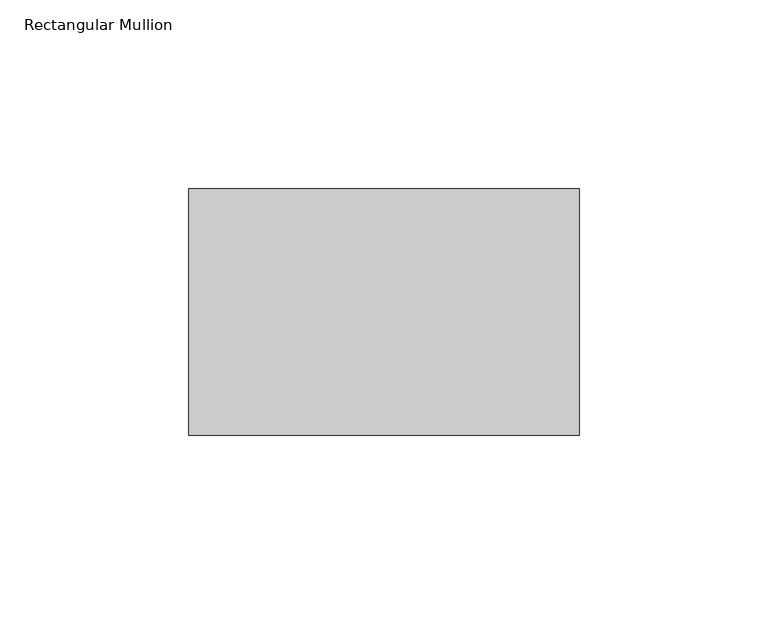
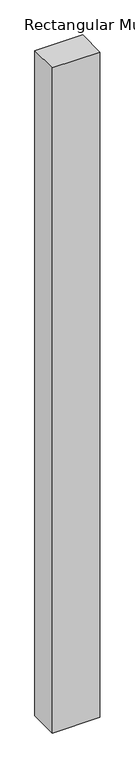
"""IFC4 building model written with IfcOpenShell, lengths in millimetres: member geometry, Rectangular Mullion."""

from ifc_helpers import new_model, si_unit, frame, origin, place, context, project, spatial, polyline, outline, extrude, source, transform, mapped, element, save


def rectangular_mullion_564085f0(model_context):
    return source(origin(), model_context, "Body", "SweptSolid", [
        extrude(outline(polyline([(-103.1875, -39.6875), (-103.1875, 25.4), (0.0, 25.4), (0.0, -39.6875), (-103.1875, -39.6875)])), frame((0.0, 0.0, -1524.0), z_axis=(0.0, 0.0, 1.0), x_axis=(1.0, 0.0, 0.0)), (0.0, 0.0, 1.0), 1524.0),
    ])


if __name__ == "__main__":
    model = new_model("IFC4")
    model_context = context("Model", 3, world=origin())
    ifc_project = project(units=[si_unit("LENGTHUNIT", "METRE", prefix="MILLI")], contexts=[model_context])
    site = spatial("IfcSite", under=ifc_project)
    building = spatial("IfcBuilding", under=site)
    placement = place(None, origin())
    rectangular_mullion_shape = rectangular_mullion_564085f0(model_context)
    element("IfcMember", 1, ObjectType="Rectangular Mullion", at=placement, inside=building, context=model_context, shape_type="MappedRepresentation", body=[
        mapped(rectangular_mullion_shape, transform((0.0, 0.0, 0.0), x_axis=(1.0, 0.0, 0.0), y_axis=(0.0, 1.0, 0.0), z_axis=(0.0, 0.0, 1.0))),
    ])
    save(model, "model.ifc")
